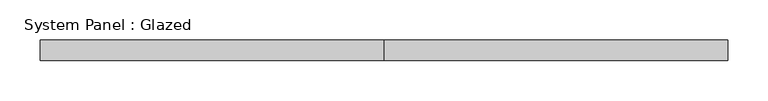
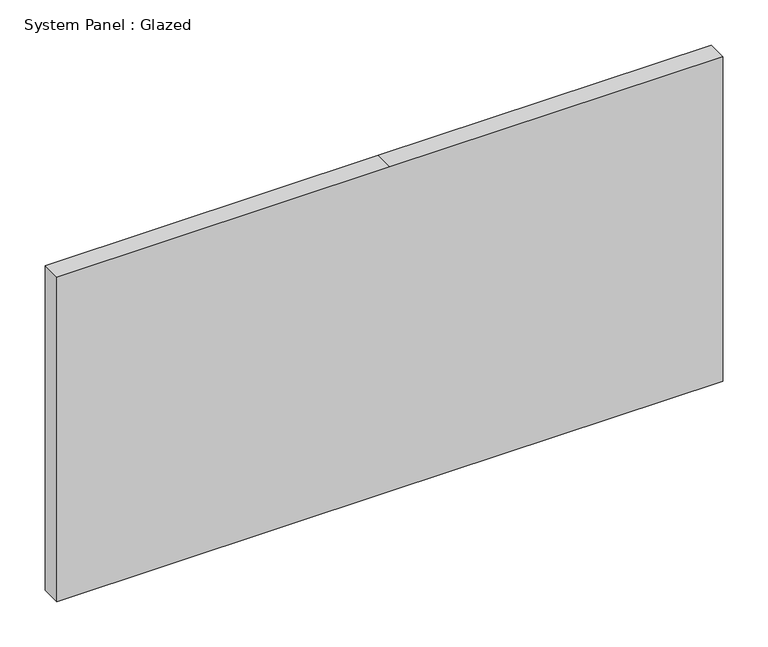
"""IFC4 building model written with IfcOpenShell, lengths in millimetres: plate geometry, System Panel : Glazed."""

from ifc_helpers import new_model, si_unit, frame, origin, place, context, project, spatial, polyline, outline, extrude, source, transform, mapped, element, save


def system_panel_glazed_a34bb658(model_context):
    return source(origin(), model_context, "Body", "SweptSolid", [
        extrude(outline(polyline([(0.0, -425.45), (0.0, 0.0), (0.0, 425.45), (438.15, 425.45), (438.15, 0.0), (438.15, -425.45), (0.0, -425.45)])), frame((0.0, 19.05, 0.0), z_axis=(0.0, 1.0, 0.0), x_axis=(0.0, 0.0, 1.0)), (0.0, 0.0, 1.0), 25.4),
    ])


if __name__ == "__main__":
    model = new_model("IFC4")
    model_context = context("Model", 3, world=origin())
    ifc_project = project(units=[si_unit("LENGTHUNIT", "METRE", prefix="MILLI")], contexts=[model_context])
    site = spatial("IfcSite", under=ifc_project)
    building = spatial("IfcBuilding", under=site)
    placement = place(None, origin())
    system_panel_glazed_shape = system_panel_glazed_a34bb658(model_context)
    element("IfcPlate", 1, ObjectType="System Panel : Glazed", at=placement, inside=building, context=model_context, shape_type="MappedRepresentation", body=[
        mapped(system_panel_glazed_shape, transform((0.0, 0.0, 0.0), x_axis=(1.0, 0.0, 0.0), y_axis=(0.0, 1.0, 0.0), z_axis=(0.0, 0.0, 1.0))),
    ])
    save(model, "model.ifc")
